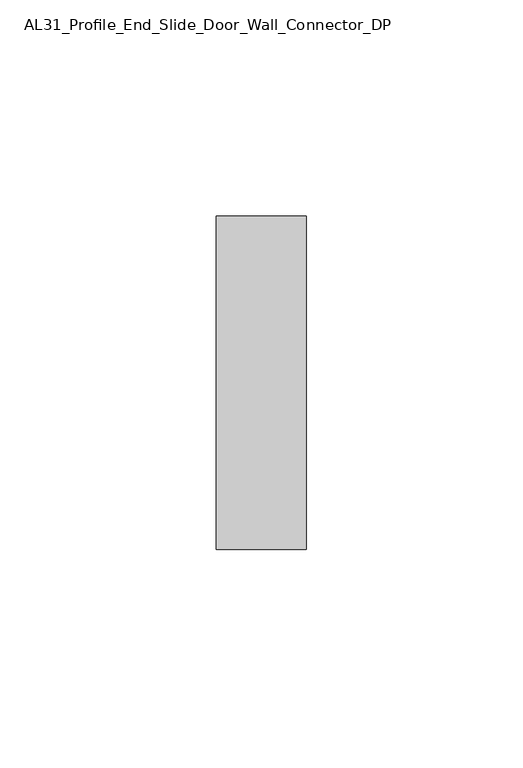
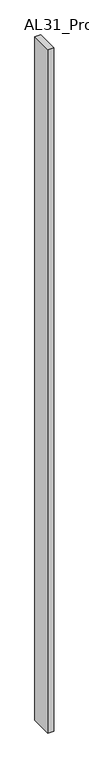
"""IFC4 building model written with IfcOpenShell, lengths in millimetres: member geometry, AL31_Profile_End_Slide_Door_Wall_Connector_DP."""

from ifc_helpers import new_model, si_unit, frame, origin, place, context, project, spatial, polyline, outline, extrude, source, transform, mapped, element, save


def al31_profile_end_slide_door_wall_connector_dp_16d7ba63(model_context):
    return source(origin(), model_context, "Body", "SweptSolid", [
        extrude(outline(polyline([(0.0, -38.5), (-20.7405417, -38.5), (-20.7405417, 38.5), (0.0, 38.5), (0.0, -38.5)])), frame((0.0, 0.0, -2500.0), z_axis=(0.0, 0.0, 1.0), x_axis=(1.0, 0.0, 0.0)), (0.0, 0.0, 1.0), 2500.0),
    ])


if __name__ == "__main__":
    model = new_model("IFC4")
    model_context = context("Model", 3, world=origin())
    ifc_project = project(units=[si_unit("LENGTHUNIT", "METRE", prefix="MILLI")], contexts=[model_context])
    site = spatial("IfcSite", under=ifc_project)
    building = spatial("IfcBuilding", under=site)
    placement = place(None, origin())
    al31_profile_end_slide_door_wall_connector_dp_shape = al31_profile_end_slide_door_wall_connector_dp_16d7ba63(model_context)
    element("IfcMember", 1, ObjectType="AL31_Profile_End_Slide_Door_Wall_Connector_DP", at=placement, inside=building, context=model_context, shape_type="MappedRepresentation", body=[
        mapped(al31_profile_end_slide_door_wall_connector_dp_shape, transform((0.0, 0.0, 0.0), x_axis=(1.0, 0.0, 0.0), y_axis=(0.0, 1.0, 0.0), z_axis=(0.0, 0.0, 1.0))),
    ])
    save(model, "model.ifc")
